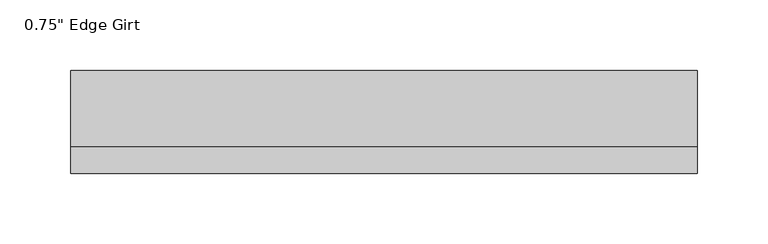
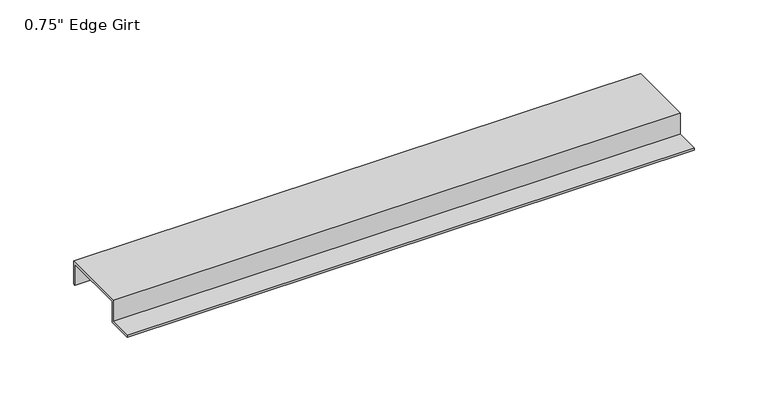
"""IFC4 building model written with IfcOpenShell, lengths in millimetres: proxy geometry."""

from ifc_helpers import new_model, si_unit, frame, origin, place, context, project, spatial, polyline, outline, extrude, source, transform, mapped, element, save


def proxy_8ccd0e02(model_context):
    return source(origin(), model_context, "Body", "SweptSolid", [
        extrude(outline(polyline([(-46.0559645, -17.4375), (-46.0559645, -15.8242), (-27.0129, -15.8242), (-27.0129, 1.6129), (27.0129, 1.6129), (27.0129, -17.4375), (25.4, -17.4375), (25.4, 0.0), (-25.4, 0.0), (-25.4, -17.4375), (-46.0559645, -17.4375)])), frame((0.0, 0.0, 0.0), z_axis=(1.0, 0.0, 0.0), x_axis=(0.0, 1.0, 0.0)), (0.0, 0.0, 1.0), 444.5),
    ])


if __name__ == "__main__":
    model = new_model("IFC4")
    model_context = context("Model", 3, world=origin())
    ifc_project = project(units=[si_unit("LENGTHUNIT", "METRE", prefix="MILLI")], contexts=[model_context])
    site = spatial("IfcSite", under=ifc_project)
    building = spatial("IfcBuilding", under=site)
    placement = place(None, origin())
    proxy_shape = proxy_8ccd0e02(model_context)
    element("IfcBuildingElementProxy", 1, Name="0.75\" Edge Girt", ObjectType="0.75\" Edge Girt", at=placement, inside=building, context=model_context, shape_type="MappedRepresentation", body=[
        mapped(proxy_shape, transform((0.0, 0.0, 0.0), x_axis=(1.0, 0.0, 0.0), y_axis=(0.0, 1.0, 0.0), z_axis=(0.0, 0.0, 1.0))),
    ])
    save(model, "model.ifc")
